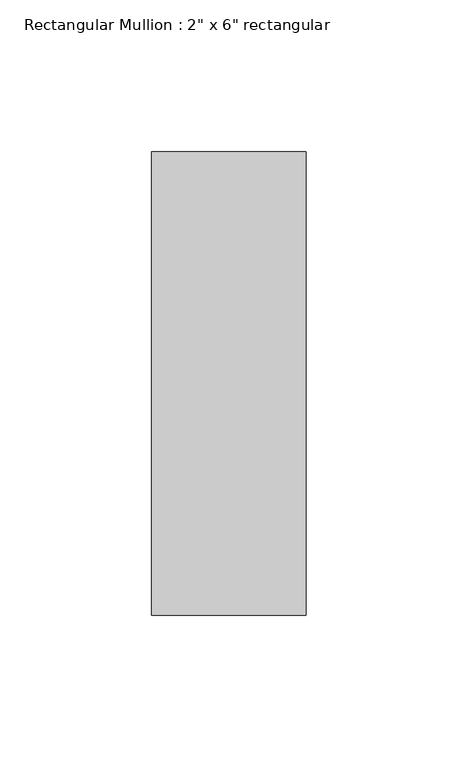
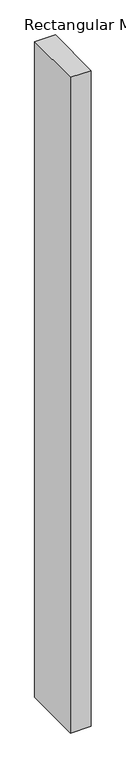
"""IFC4 building model written with IfcOpenShell, lengths in millimetres: member geometry."""

from ifc_helpers import new_model, si_unit, frame, origin, place, context, project, spatial, polyline, outline, extrude, source, transform, mapped, element, save


def member_2b37f9a7(model_context):
    return source(origin(), model_context, "Body", "SweptSolid", [
        extrude(outline(polyline([(0.0, 76.2), (0.0, -76.2), (-50.8, -76.2), (-50.8, 76.2), (0.0, 76.2)])), frame((0.0, 0.0, -1701.8), z_axis=(0.0, 0.0, 1.0), x_axis=(1.0, 0.0, 0.0)), (0.0, 0.0, 1.0), 1701.8),
    ])


if __name__ == "__main__":
    model = new_model("IFC4")
    model_context = context("Model", 3, world=origin())
    ifc_project = project(units=[si_unit("LENGTHUNIT", "METRE", prefix="MILLI")], contexts=[model_context])
    site = spatial("IfcSite", under=ifc_project)
    building = spatial("IfcBuilding", under=site)
    placement = place(None, origin())
    member_shape = member_2b37f9a7(model_context)
    element("IfcMember", 1, ObjectType="Rectangular Mullion : 2\" x 6\" rectangular", at=placement, inside=building, context=model_context, shape_type="MappedRepresentation", body=[
        mapped(member_shape, transform((0.0, 0.0, 0.0), x_axis=(1.0, 0.0, 0.0), y_axis=(0.0, 1.0, 0.0), z_axis=(0.0, 0.0, 1.0))),
    ])
    save(model, "model.ifc")
